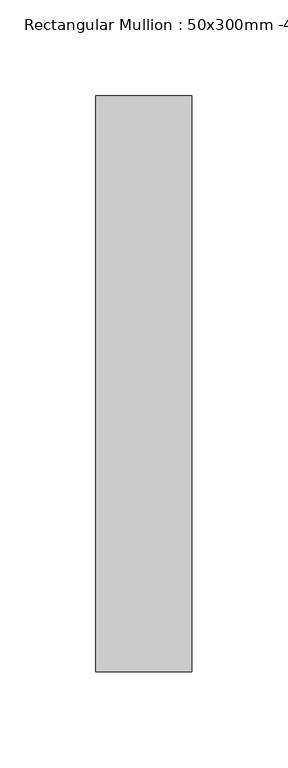
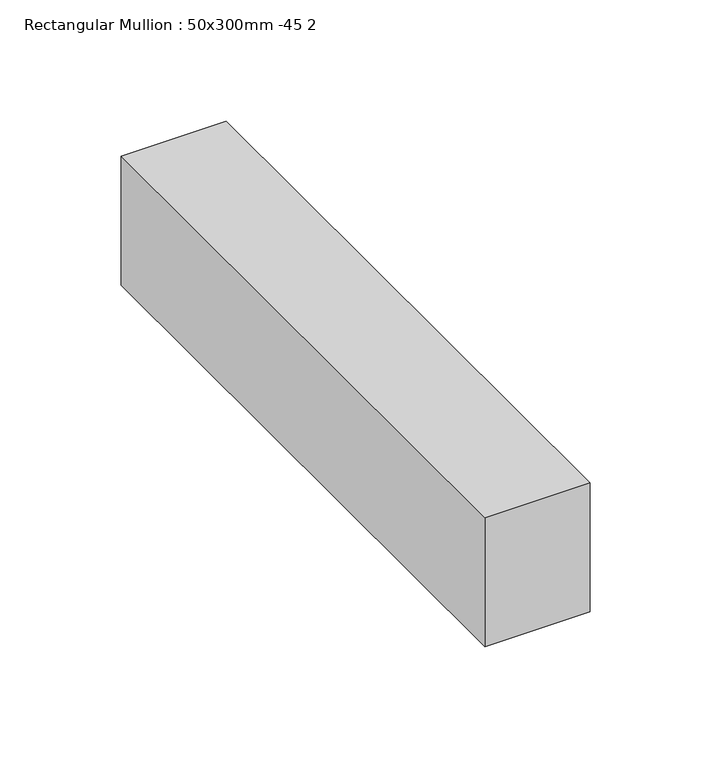
"""IFC4 building model written with IfcOpenShell, lengths in millimetres: member geometry, Rectangular Mullion : 50x300mm -45 2."""

import ifcopenshell
import ifcopenshell.guid

model = None  # the IFC model being written
_history = None  # IfcOwnerHistory: only IFC2X3 demands one
_inside = {}  # id of a spatial element -> (the spatial element, [elements in it])
_under = {}  # id of a project, library or spatial element -> (it, [spatial elements below it])
_declared = {}  # id of a project -> (the project, [libraries it declares])
_typed = {}  # id of a type object -> (the type object, [elements of that type])
_made_of = {}  # id of a material, layer set ... -> (it, [elements and type objects made of it])


def new_model(schema):
    """Start an empty IFC model of exactly this schema.

    Asked for "IFC4X3", IfcOpenShell would pick the latest addendum, in which some entities
    have other attributes; the version numbers below select the first issue.
    IFC2X3 requires an IfcOwnerHistory on every rooted entity: one is made here for all.
    """
    global model, _history
    if schema == "IFC4X3":
        model = ifcopenshell.file(schema_version=(4, 3, 0, 0))
    else:
        model = ifcopenshell.file(schema=schema)
    _inside.clear()
    _under.clear()
    _declared.clear()
    _typed.clear()
    _made_of.clear()
    _history = None
    if model.schema == "IFC2X3":
        org = make("IfcOrganization", Name="unknown")
        user = make(
            "IfcPersonAndOrganization",
            ThePerson=make("IfcPerson", FamilyName="unknown"),
            TheOrganization=org,
        )
        app = make(
            "IfcApplication",
            ApplicationDeveloper=org,
            Version="unknown",
            ApplicationFullName="unknown",
            ApplicationIdentifier="unknown",
        )
        _history = make(
            "IfcOwnerHistory",
            OwningUser=user,
            OwningApplication=app,
            ChangeAction="ADDED",
            CreationDate=0,
        )
    return model


def make(cls, **values):
    """One entity of the class cls with the attributes given. An attribute that is None is left unset."""
    return model.create_entity(
        cls, **{name: value for name, value in values.items() if value is not None}
    )


def rooted(cls, **values):
    """An entity with a GlobalId (a new one), such as an element, a storey or a relation."""
    return make(cls, GlobalId=ifcopenshell.guid.new(), OwnerHistory=_history, **values)


def si_unit(unit_type, name, prefix=None):
    """IfcSIUnit, for example si_unit("LENGTHUNIT", "METRE", prefix="MILLI")."""
    return make("IfcSIUnit", UnitType=unit_type, Prefix=prefix, Name=name)


def assignment(units):
    """IfcUnitAssignment: the units of a project."""
    return None if units is None else make("IfcUnitAssignment", Units=units)


def point(xyz):
    """IfcCartesianPoint."""
    return None if xyz is None else make("IfcCartesianPoint", Coordinates=xyz)


def direction(xyz):
    """IfcDirection."""
    return None if xyz is None else make("IfcDirection", DirectionRatios=xyz)


def frame(location, z_axis=None, x_axis=None):
    """IfcAxis2Placement3D, a coordinate frame: its origin and axes. An axis left out is left unset."""
    return make(
        "IfcAxis2Placement3D",
        Location=point(location),
        Axis=direction(z_axis),
        RefDirection=direction(x_axis),
    )


def origin():
    """The frame at (0, 0, 0) with its axes left unset."""
    return frame((0.0, 0.0, 0.0))


def place(relative_to, where):
    """IfcLocalPlacement: puts the frame where relative to a parent placement (None: the world)."""
    return make(
        "IfcLocalPlacement", PlacementRelTo=relative_to, RelativePlacement=where
    )


def context(
    kind, dimensions, precision=None, world=None, true_north=None, identifier=None
):
    """IfcGeometricRepresentationContext, for example the 3D "Model" context."""
    return make(
        "IfcGeometricRepresentationContext",
        ContextIdentifier=identifier,
        ContextType=kind,
        CoordinateSpaceDimension=dimensions,
        Precision=precision,
        WorldCoordinateSystem=world,
        TrueNorth=true_north,
    )


def project(units=None, contexts=None):
    """IfcProject with its units and contexts."""
    return rooted(
        "IfcProject",
        Name="project",
        RepresentationContexts=contexts,
        UnitsInContext=assignment(units),
    )


def spatial(cls, under=None, at=None, **own):
    """A site, building, storey or space (cls), placed at a placement, below another one or the project."""
    s = rooted(cls, ObjectPlacement=at, **own)
    if under is not None:
        _under.setdefault(under.id(), (under, []))[1].append(s)
    return s


def polyline(points):
    """IfcPolyline through the points."""
    return make("IfcPolyline", Points=[point(p) for p in points])


def outline(outer, holes=None, kind="AREA"):
    """IfcArbitraryClosedProfileDef: a profile drawn as a closed curve; with holes, ...WithVoids."""
    if holes is None:
        return make("IfcArbitraryClosedProfileDef", ProfileType=kind, OuterCurve=outer)
    return make(
        "IfcArbitraryProfileDefWithVoids",
        ProfileType=kind,
        OuterCurve=outer,
        InnerCurves=holes,
    )


def extrude(swept, where, along, depth):
    """IfcExtrudedAreaSolid: the profile swept, set in the frame where, extruded along a direction by depth."""
    return make(
        "IfcExtrudedAreaSolid",
        SweptArea=swept,
        Position=where,
        ExtrudedDirection=direction(along),
        Depth=depth,
    )


def shape(context_of_items, identifier, shape_type, items):
    """IfcShapeRepresentation: the items that make up one representation, for example the "Body"."""
    return make(
        "IfcShapeRepresentation",
        ContextOfItems=context_of_items,
        RepresentationIdentifier=identifier,
        RepresentationType=shape_type,
        Items=items,
    )


def source(mapping_origin, context_of_items, identifier, shape_type, items):
    """IfcRepresentationMap: a shape defined once, which mapped items show again and again."""
    return make(
        "IfcRepresentationMap",
        MappingOrigin=mapping_origin,
        MappedRepresentation=shape(context_of_items, identifier, shape_type, items),
    )


def transform(
    local_origin,
    x_axis=None,
    y_axis=None,
    z_axis=None,
    scale=None,
    scale2=None,
    scale3=None,
    uniform=True,
):
    """IfcCartesianTransformationOperator3D, or its non-uniform kind. x_axis, y_axis, z_axis: its Axis1, 2, 3."""
    if uniform:
        return make(
            "IfcCartesianTransformationOperator3D",
            Axis1=direction(x_axis),
            Axis2=direction(y_axis),
            LocalOrigin=point(local_origin),
            Scale=scale,
            Axis3=direction(z_axis),
        )
    return make(
        "IfcCartesianTransformationOperator3DnonUniform",
        Axis1=direction(x_axis),
        Axis2=direction(y_axis),
        LocalOrigin=point(local_origin),
        Scale=scale,
        Axis3=direction(z_axis),
        Scale2=scale2,
        Scale3=scale3,
    )


def mapped(mapping_source, mapping_target):
    """IfcMappedItem: shows the shape of a source again, moved by a transform."""
    return make(
        "IfcMappedItem", MappingSource=mapping_source, MappingTarget=mapping_target
    )


def made_of(thing, what):
    """Note that an element or type object is made of a material, layer set ...; save() writes the relation."""
    if what is not None:
        _made_of.setdefault(what.id(), (what, []))[1].append(thing)
    return thing


def element(
    cls,
    number,
    at=None,
    inside=None,
    cuts=None,
    type_object=None,
    material=None,
    context=None,
    identifier="Body",
    shape_type=None,
    held_by="IfcProductDefinitionShape",
    body=None,
    shapes=None,
    **own,
):
    """One element of the class cls, such as IfcWall. Its Tag is "e" and its number.

    at: its placement. inside: the storey or other place that contains it. cuts: it is an
    opening in that element (IfcRelVoidsElement). A single representation is given by context,
    identifier, shape_type and body (its items); several are given by shapes. held_by: the class
    of the entity that holds the representations. save() writes the other relations.
    """
    e = rooted(cls, Tag="e%d" % number, ObjectPlacement=at, **own)
    if body is not None:
        shapes = [shape(context, identifier, shape_type, body)]
    if shapes is not None:
        e.Representation = make(held_by, Representations=shapes)
    if inside is not None:
        _inside.setdefault(inside.id(), (inside, []))[1].append(e)
    if cuts is not None:
        rooted(
            "IfcRelVoidsElement", RelatingBuildingElement=cuts, RelatedOpeningElement=e
        )
    if type_object is not None:
        _typed.setdefault(type_object.id(), (type_object, []))[1].append(e)
    return made_of(e, material)


def aggregate(whole, parts):
    """IfcRelAggregates: a whole, such as a stair, and the parts it consists of."""
    return rooted("IfcRelAggregates", RelatingObject=whole, RelatedObjects=parts)


def save(model, path):
    """Write the relations noted so far, then the file.

    IfcRelAggregates (storeys below a building ...), IfcRelContainedInSpatialStructure (elements
    in a storey), IfcRelDefinesByType, IfcRelAssociatesMaterial and IfcRelDeclares: one each for
    every whole, place, type object, material and project.
    """
    for whole, parts in _under.values():
        aggregate(whole, parts)
    for where, things in _inside.values():
        rooted(
            "IfcRelContainedInSpatialStructure",
            RelatedElements=things,
            RelatingStructure=where,
        )
    for kind, things in _typed.values():
        rooted("IfcRelDefinesByType", RelatedObjects=things, RelatingType=kind)
    for what, things in _made_of.values():
        rooted("IfcRelAssociatesMaterial", RelatedObjects=things, RelatingMaterial=what)
    for by, libraries in _declared.values():
        rooted("IfcRelDeclares", RelatingContext=by, RelatedDefinitions=libraries)
    model.write(path)


def rectangular_mullion_50x300mm_45_2_51b997d1(model_context):
    return source(origin(), model_context, "Body", "SweptSolid", [
        extrude(outline(polyline([(0.0, 195.0), (0.0, -105.0), (-50.0, -105.0), (-50.0, 195.0), (0.0, 195.0)])), frame((0.0, 0.0, -65.0), z_axis=(0.0, 0.0, 1.0), x_axis=(1.0, 0.0, 0.0)), (0.0, 0.0, 1.0), 65.0),
    ])


if __name__ == "__main__":
    model = new_model("IFC4")
    model_context = context("Model", 3, world=origin())
    ifc_project = project(units=[si_unit("LENGTHUNIT", "METRE", prefix="MILLI")], contexts=[model_context])
    site = spatial("IfcSite", under=ifc_project)
    building = spatial("IfcBuilding", under=site)
    placement = place(None, origin())
    rectangular_mullion_50x300mm_45_2_shape = rectangular_mullion_50x300mm_45_2_51b997d1(model_context)
    element("IfcMember", 1, ObjectType="Rectangular Mullion : 50x300mm -45 2", at=placement, inside=building, context=model_context, shape_type="MappedRepresentation", body=[
        mapped(rectangular_mullion_50x300mm_45_2_shape, transform((0.0, 0.0, 0.0), x_axis=(1.0, 0.0, 0.0), y_axis=(0.0, 1.0, 0.0), z_axis=(0.0, 0.0, 1.0))),
    ])
    save(model, "model.ifc")
